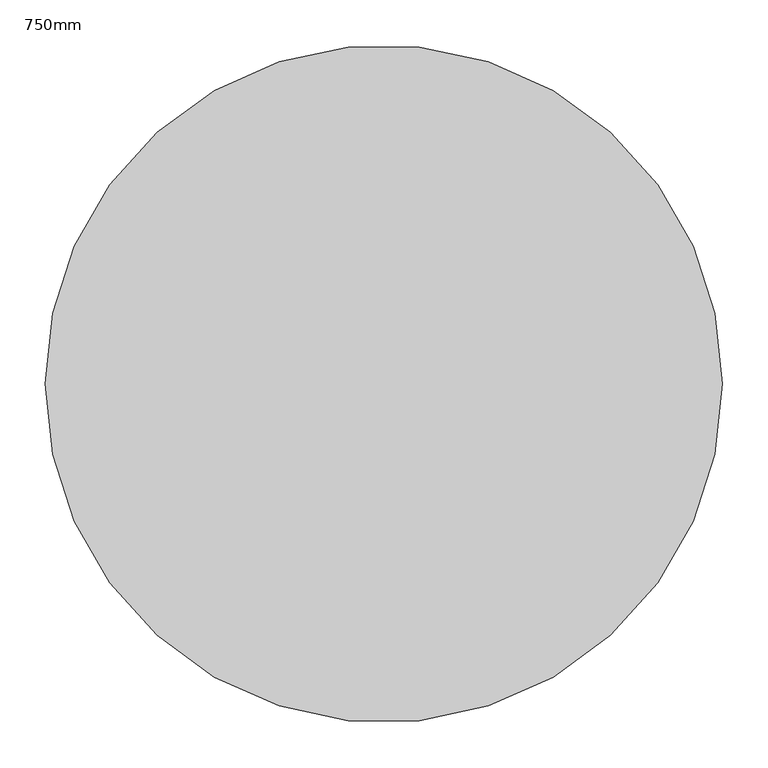
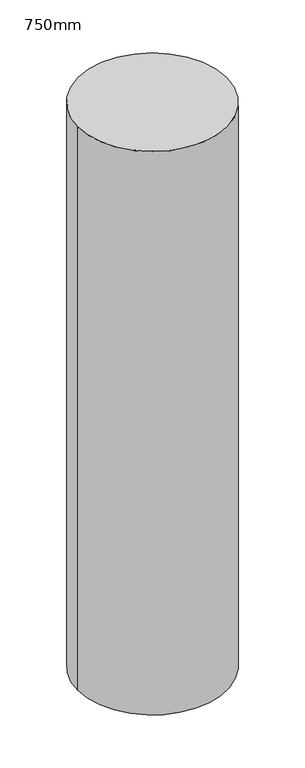
"""IFC4 building model written with IfcOpenShell, lengths in millimetres: column geometry, 750mm."""

from ifc_helpers import new_model, si_unit, point, origin, origin_with_axes, origin_2d, place, context, project, spatial, circle_curve, trimmed, segment, composite_curve, outline, extrude, source, transform, mapped, element, save


def column_750mm_b42b48b1(model_context):
    return source(origin(), model_context, "Body", "SweptSolid", [
        extrude(outline(composite_curve([segment(trimmed(circle_curve(origin_2d(), 375.0), [point((-375.0, 0.0))], [point((375.0, 0.0))], False, "CARTESIAN"), True, "CONTINUOUS"), segment(trimmed(circle_curve(origin_2d(), 375.0), [point((375.0, 0.0))], [point((-375.0, 0.0))], False, "CARTESIAN"), True, "CONTINUOUS")], self_intersect=False)), origin_with_axes(), (0.0, 0.0, 1.0), 3000.0),
    ])


if __name__ == "__main__":
    model = new_model("IFC4")
    model_context = context("Model", 3, world=origin())
    ifc_project = project(units=[si_unit("LENGTHUNIT", "METRE", prefix="MILLI")], contexts=[model_context])
    site = spatial("IfcSite", under=ifc_project)
    building = spatial("IfcBuilding", under=site)
    placement = place(None, origin())
    column_750mm_shape = column_750mm_b42b48b1(model_context)
    element("IfcColumn", 1, ObjectType="750mm", at=placement, inside=building, context=model_context, shape_type="MappedRepresentation", body=[
        mapped(column_750mm_shape, transform((0.0, 0.0, 0.0), x_axis=(1.0, 0.0, 0.0), y_axis=(0.0, 1.0, 0.0), z_axis=(0.0, 0.0, 1.0))),
    ])
    save(model, "model.ifc")
